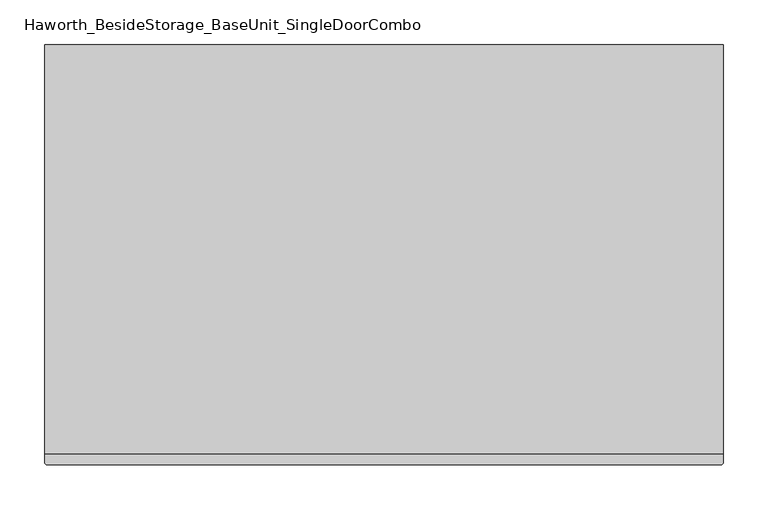
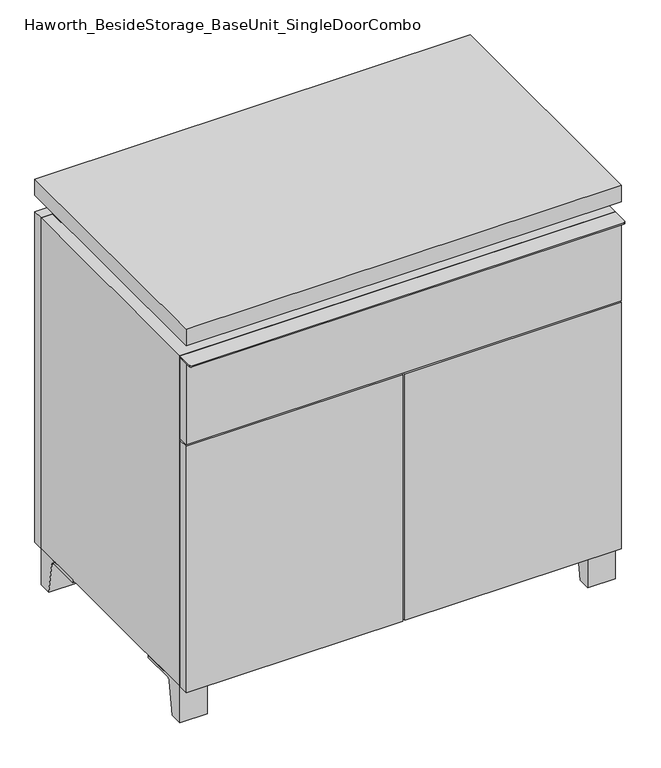
"""IFC4 building model written with IfcOpenShell, lengths in millimetres: furniture geometry, Haworth_BesideStorage_BaseUnit_SingleDoorCombo."""

from ifc_helpers import new_model, si_unit, point, frame, frame_2d, origin, place, context, project, spatial, polyline, circle_curve, trimmed, segment, composite_curve, outline, extrude, faceted_brep, source, transform, mapped, element, save


def haworth_besidestorage_baseunit_singledoorcombo_0d7eae1c(model_context):
    return source(origin(), model_context, "Body", "SolidModel", [
        extrude(outline(composite_curve([segment(polyline([(-123.2958469, 0.0), (-146.05, 0.0), (-146.05, 66.675), (-50.8, 66.675), (-50.8, 61.8963321), (-107.6005345, 61.8963321)]), True, "CONTINUOUS"), segment(trimmed(circle_curve(frame_2d((-107.6005345, 55.5463321)), 6.35), [point((-107.6005345, 61.8963321))], [point((-113.8641359, 56.5902656))], True, "CARTESIAN"), True, "CONTINUOUS"), segment(polyline([(-113.8641359, 56.5902656), (-123.2958469, 0.0)]), True, "CONTINUOUS")], self_intersect=False)), frame((331.8013906, 0.0, 0.0), z_axis=(1.0, 0.0, 0.0), x_axis=(0.0, 1.0, 0.0)), (0.0, 0.0, 1.0), 47.625),
        extrude(outline(composite_curve([segment(polyline([(250.2958469, 0.0), (240.8641359, 56.5902656)]), True, "CONTINUOUS"), segment(trimmed(circle_curve(frame_2d((234.6005345, 55.5463321)), 6.35), [point((240.8641359, 56.5902656))], [point((234.6005345, 61.8963321))], True, "CARTESIAN"), True, "CONTINUOUS"), segment(polyline([(234.6005345, 61.8963321), (177.8, 61.8963321), (177.8, 66.675), (273.05, 66.675), (273.05, 0.0), (250.2958469, 0.0)]), True, "CONTINUOUS")], self_intersect=False)), frame((331.8013906, 0.0, 0.0), z_axis=(1.0, 0.0, 0.0), x_axis=(0.0, 1.0, 0.0)), (0.0, 0.0, 1.0), 47.625),
        extrude(outline(composite_curve([segment(polyline([(-123.2958469, 0.0), (-146.05, 0.0), (-146.05, 66.675), (-50.8, 66.675), (-50.8, 61.8963321), (-107.6005345, 61.8963321)]), True, "CONTINUOUS"), segment(trimmed(circle_curve(frame_2d((-107.6005345, 55.5463321)), 6.35), [point((-107.6005345, 61.8963321))], [point((-113.8641359, 56.5902656))], True, "CARTESIAN"), True, "CONTINUOUS"), segment(polyline([(-113.8641359, 56.5902656), (-123.2958469, 0.0)]), True, "CONTINUOUS")], self_intersect=False)), frame((-379.3986094, 0.0, 0.0), z_axis=(1.0, 0.0, 0.0), x_axis=(0.0, 1.0, 0.0)), (0.0, 0.0, 1.0), 47.625),
        extrude(outline(composite_curve([segment(polyline([(250.2958469, 0.0), (240.8641359, 56.5902656)]), True, "CONTINUOUS"), segment(trimmed(circle_curve(frame_2d((234.6005345, 55.5463321)), 6.35), [point((240.8641359, 56.5902656))], [point((234.6005345, 61.8963321))], True, "CARTESIAN"), True, "CONTINUOUS"), segment(polyline([(234.6005345, 61.8963321), (177.8, 61.8963321), (177.8, 66.675), (273.05, 66.675), (273.05, 0.0), (250.2958469, 0.0)]), True, "CONTINUOUS")], self_intersect=False)), frame((-379.3986094, 0.0, 0.0), z_axis=(1.0, 0.0, 0.0), x_axis=(0.0, 1.0, 0.0)), (0.0, 0.0, 1.0), 47.625),
        faceted_brep([(-379.3986094, -146.05, 66.675), (379.4125, -146.05, 66.675), (379.4125, -146.05, 676.275), (-379.3986094, -146.05, 676.275), (-360.3486094, -146.05, 85.725), (-360.3486094, -146.05, 657.225), (360.3694453, -146.05, 657.225), (360.3486094, -146.05, 85.725), (-379.3986094, 273.05, 66.675), (-379.3986094, 273.05, 676.275), (-360.3486094, 273.05, 676.275), (-360.3486094, 273.05, 85.725), (360.3486094, 273.05, 85.725), (360.3486094, 273.05, 676.275), (379.4125, 273.05, 676.275), (379.4125, 273.05, 66.675), (360.3486094, 247.65, 676.275), (-360.3416641, 247.65, 676.275), (-360.3486094, 247.65, 657.225), (360.3486094, 247.65, 657.225)], [[[0, 1, 2, 3], [4, 5, 6, 7]], [[8, 9, 10, 11, 12, 13, 14, 15]], [[1, 0, 8, 15]], [[2, 1, 15, 14]], [[3, 2, 14, 13, 16, 17, 10, 9]], [[0, 3, 9, 8]], [[11, 10, 17, 18, 5, 4]], [[13, 12, 7, 6, 19, 16]], [[4, 7, 12, 11]], [[6, 5, 18, 19]], [[17, 16, 19, 18]]]),
        extrude(outline(polyline([(379.4263906, -165.1), (-379.3986094, -165.1), (-379.3986094, 292.1), (379.4263906, 292.1), (379.4263906, -165.1)])), frame((0.0, 0.0, 706.4375), z_axis=(0.0, 0.0, 1.0), x_axis=(1.0, 0.0, 0.0)), (0.0, 0.0, 1.0), 30.1625),
        faceted_brep([(7.9513906, -69.85, 706.4375), (7.9513906, -69.85, 676.275), (7.9513906, 53.975, 676.275), (7.9513906, 53.975, 706.4375), (7.9513906, 196.85, 676.275), (7.9513906, 196.85, 706.4375), (7.9513906, 73.025, 706.4375), (7.9513906, 73.025, 676.275), (-7.9236094, 196.85, 706.4375), (-7.9236094, 196.85, 676.275), (-7.9236094, 73.025, 676.275), (-7.9236094, 73.025, 706.4375), (-7.9236094, -69.85, 676.275), (-7.9236094, -69.85, 706.4375), (-7.9236094, 53.975, 706.4375), (-7.9236094, 53.975, 676.275), (-338.0958281, 73.025, 706.4375), (-338.1166641, 247.65, 706.4375), (-353.9916641, 247.65, 706.4375), (-353.9916641, -120.65, 706.4375), (-338.1166641, -120.65, 706.4375), (-338.1166641, 53.975, 706.4375), (338.1236094, 53.975, 706.4375), (338.1236094, -120.65, 706.4375), (353.9986094, -120.65, 706.4375), (353.9986094, 247.65, 706.4375), (338.1236094, 247.65, 706.4375), (338.1236094, 73.025, 706.4375), (-338.0958281, 53.975, 676.275), (-338.1166641, -120.65, 676.275), (-353.9916641, -120.65, 676.275), (-353.9916641, 247.65, 676.275), (-338.1166641, 247.65, 676.275), (-338.1166641, 73.025, 676.275), (338.1236094, 73.025, 676.275), (338.1236094, 247.65, 676.275), (353.9986094, 247.65, 676.275), (353.9986094, -120.65, 676.275), (338.1236094, -120.65, 676.275), (338.1236094, 53.975, 676.275)], [[[0, 1, 2, 3]], [[4, 5, 6, 7]], [[8, 9, 10, 11]], [[12, 13, 14, 15]], [[5, 8, 11, 16, 17, 18, 19, 20, 21, 14, 13, 0, 3, 22, 23, 24, 25, 26, 27, 6]], [[1, 12, 15, 28, 29, 30, 31, 32, 33, 10, 9, 4, 7, 34, 35, 36, 37, 38, 39, 2]], [[5, 4, 9, 8]], [[1, 0, 13, 12]], [[6, 27, 34, 7]], [[22, 3, 2, 39]], [[20, 29, 28, 21]], [[32, 17, 16, 33]], [[18, 31, 30, 19]], [[29, 20, 19, 30]], [[17, 32, 31, 18]], [[26, 35, 34, 27]], [[38, 23, 22, 39]], [[25, 24, 37, 36]], [[23, 38, 37, 24]], [[35, 26, 25, 36]], [[16, 11, 10, 33]], [[14, 21, 28, 15]]]),
        extrude(outline(polyline([(379.4263906, 273.05), (-379.3986094, 273.05), (-379.3986094, 292.1), (379.4263906, 292.1), (379.4263906, 273.05)])), frame((0.0, 0.0, 66.675), z_axis=(0.0, 0.0, 1.0), x_axis=(1.0, 0.0, 0.0)), (0.0, 0.0, 1.0), 609.6),
        extrude(outline(polyline([(-360.3416641, 203.2), (-360.3416641, 209.55), (360.3694453, 209.55), (360.3694453, 203.2), (-360.3416641, 203.2)])), frame((0.0, 0.0, 85.725), z_axis=(0.0, 0.0, 1.0), x_axis=(1.0, 0.0, 0.0)), (0.0, 0.0, 1.0), 571.5),
        extrude(outline(polyline([(1.6013906, -165.1), (1.6013906, -146.05), (379.4263906, -146.05), (379.4263906, -165.1), (1.6013906, -165.1)])), frame((0.0, 0.0, 66.675), z_axis=(0.0, 0.0, 1.0), x_axis=(1.0, 0.0, 0.0)), (0.0, 0.0, 1.0), 454.025),
        extrude(outline(polyline([(-1.5736094, -165.1), (-379.3986094, -165.1), (-379.3986094, -146.05), (-1.5736094, -146.05), (-1.5736094, -165.1)])), frame((0.0, 0.0, 66.675), z_axis=(0.0, 0.0, 1.0), x_axis=(1.0, 0.0, 0.0)), (0.0, 0.0, 1.0), 454.025),
        extrude(outline(composite_curve([segment(polyline([(379.4263906, -146.05), (379.4263906, -174.625)]), True, "CONTINUOUS"), segment(trimmed(circle_curve(frame_2d((376.2513906, -174.625)), 3.175), [point((379.4263906, -174.625))], [point((376.2513906, -177.8))], False, "CARTESIAN"), True, "CONTINUOUS"), segment(polyline([(376.2513906, -177.8), (-376.2236094, -177.8)]), True, "CONTINUOUS"), segment(trimmed(circle_curve(frame_2d((-376.2236094, -174.625)), 3.175), [point((-376.2236094, -177.8))], [point((-379.3986094, -174.625))], False, "CARTESIAN"), True, "CONTINUOUS"), segment(polyline([(-379.3986094, -174.625), (-379.3986094, -146.05), (379.4263906, -146.05)]), True, "CONTINUOUS")], self_intersect=False)), frame((0.0, 0.0, 673.89375), z_axis=(0.0, 0.0, 1.0), x_axis=(1.0, 0.0, 0.0)), (0.0, 0.0, 1.0), 2.38125),
        extrude(outline(polyline([(379.4263906, -146.05), (379.4263906, -165.1), (-379.3986094, -165.1), (-379.3986094, -146.05), (379.4263906, -146.05)])), frame((0.0, 0.0, 523.875), z_axis=(0.0, 0.0, 1.0), x_axis=(1.0, 0.0, 0.0)), (0.0, 0.0, 1.0), 150.01875),
    ])


if __name__ == "__main__":
    model = new_model("IFC4")
    model_context = context("Model", 3, world=origin())
    ifc_project = project(units=[si_unit("LENGTHUNIT", "METRE", prefix="MILLI")], contexts=[model_context])
    site = spatial("IfcSite", under=ifc_project)
    building = spatial("IfcBuilding", under=site)
    placement = place(None, origin())
    haworth_besidestorage_baseunit_singledoorcombo_shape = haworth_besidestorage_baseunit_singledoorcombo_0d7eae1c(model_context)
    element("IfcFurniture", 1, ObjectType="Haworth_BesideStorage_BaseUnit_SingleDoorCombo", at=placement, inside=building, context=model_context, shape_type="MappedRepresentation", body=[
        mapped(haworth_besidestorage_baseunit_singledoorcombo_shape, transform((0.0, 0.0, 0.0), x_axis=(1.0, 0.0, 0.0), y_axis=(0.0, 1.0, 0.0), z_axis=(0.0, 0.0, 1.0))),
    ])
    save(model, "model.ifc")
